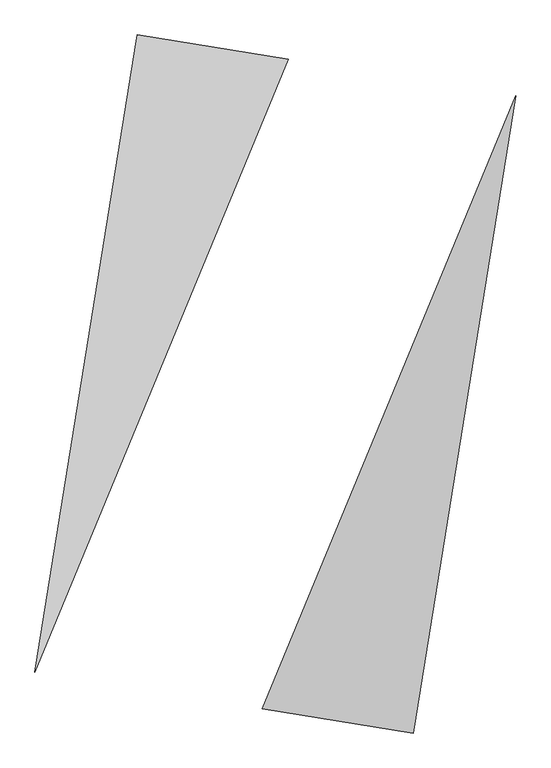
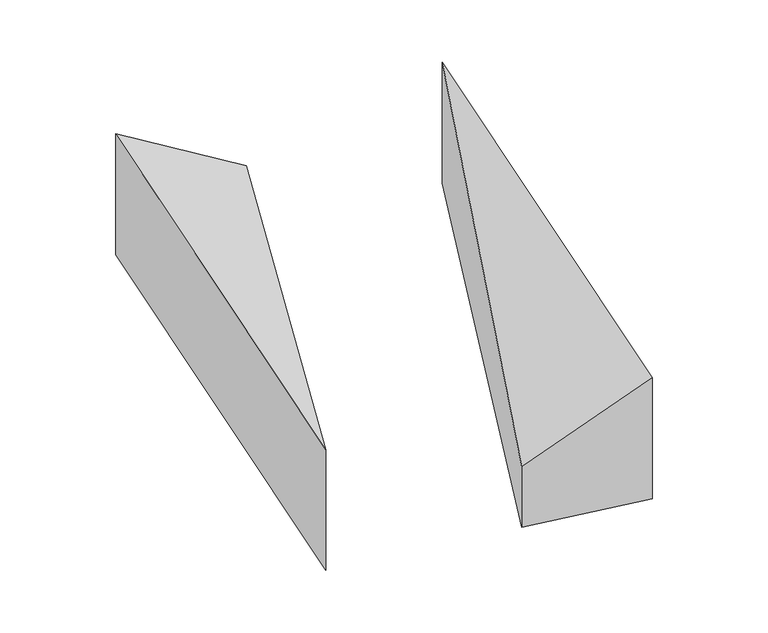
"""IFC4 building model written with IfcOpenShell, lengths in millimetres: proxy geometry."""

from ifc_helpers import new_model, si_unit, origin, place, context, project, spatial, faceted_brep, source, transform, mapped, element, save


def generic_models_bf1b41d2(model_context):
    return source(origin(), model_context, "Body", "Brep", [
        faceted_brep([(82.0107723, 2012.3817936, 0.0), (-856.0170022, 2162.7277087, 0.0), (-856.0170022, 2162.7277087, 1000.0), (82.0107723, 2012.3817936, 500.0), (-1489.0524341, -1786.862921, 0.0), (-1489.0524341, -1786.862921, 1000.0)], [[[0, 1, 2, 3]], [[1, 4, 5, 2]], [[4, 0, 3, 5]], [[3, 2, 5]], [[0, 4, 1]]]),
        faceted_brep([(856.0170022, -2162.7277087, 0.0), (1489.0524341, 1786.862921, 0.0), (1489.0524341, 1786.862921, 1000.0), (856.0170022, -2162.7277087, 1000.0), (-82.0107723, -2012.3817936, 0.0), (-82.0107723, -2012.3817936, 500.0)], [[[0, 1, 2, 3]], [[1, 4, 5, 2]], [[4, 0, 3, 5]], [[2, 5, 3]], [[0, 4, 1]]]),
    ])


if __name__ == "__main__":
    model = new_model("IFC4")
    model_context = context("Model", 3, world=origin())
    ifc_project = project(units=[si_unit("LENGTHUNIT", "METRE", prefix="MILLI")], contexts=[model_context])
    site = spatial("IfcSite", under=ifc_project)
    building = spatial("IfcBuilding", under=site)
    placement = place(None, origin())
    generic_models_shape = generic_models_bf1b41d2(model_context)
    element("IfcBuildingElementProxy", 1, Name="Generic Models", at=placement, inside=building, context=model_context, shape_type="MappedRepresentation", body=[
        mapped(generic_models_shape, transform((0.0, 0.0, 0.0), x_axis=(1.0, 0.0, 0.0), y_axis=(0.0, 1.0, 0.0), z_axis=(0.0, 0.0, 1.0))),
    ])
    save(model, "model.ifc")
